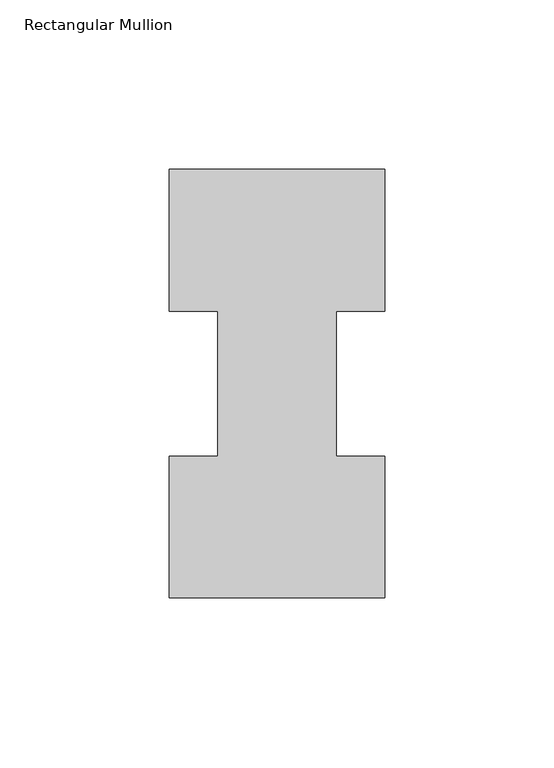
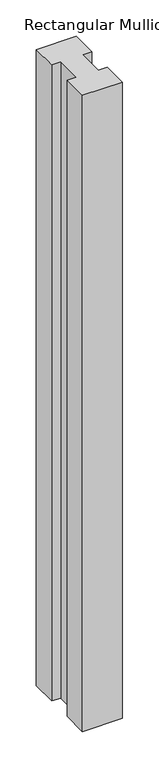
"""IFC4 building model written with IfcOpenShell, lengths in millimetres: member geometry, Rectangular Mullion."""

from ifc_helpers import new_model, si_unit, frame, origin, place, context, project, spatial, polyline, outline, extrude, source, transform, mapped, element, save


def rectangular_mullion_cc557ab9(model_context):
    return source(origin(), model_context, "Body", "SweptSolid", [
        extrude(outline(polyline([(-63.5, 0.2967757), (-63.5, 42.1178757), (-49.2125, 42.1178757), (-49.2125, 84.93125), (-63.5, 84.93125), (-63.5, 126.7887757), (0.0, 126.7887757), (0.0, 84.93125), (-14.2748, 84.93125), (-14.2748, 42.1178757), (0.0, 42.1178757), (0.0, 0.2967757), (-63.5, 0.2967757)])), frame((0.0, 0.0, -1066.80635), z_axis=(0.0, 0.0, 1.0), x_axis=(1.0, 0.0, 0.0)), (0.0, 0.0, 1.0), 1066.80635),
    ])


if __name__ == "__main__":
    model = new_model("IFC4")
    model_context = context("Model", 3, world=origin())
    ifc_project = project(units=[si_unit("LENGTHUNIT", "METRE", prefix="MILLI")], contexts=[model_context])
    site = spatial("IfcSite", under=ifc_project)
    building = spatial("IfcBuilding", under=site)
    placement = place(None, origin())
    rectangular_mullion_shape = rectangular_mullion_cc557ab9(model_context)
    element("IfcMember", 1, ObjectType="Rectangular Mullion", at=placement, inside=building, context=model_context, shape_type="MappedRepresentation", body=[
        mapped(rectangular_mullion_shape, transform((0.0, 0.0, 0.0), x_axis=(1.0, 0.0, 0.0), y_axis=(0.0, 1.0, 0.0), z_axis=(0.0, 0.0, 1.0))),
    ])
    save(model, "model.ifc")
